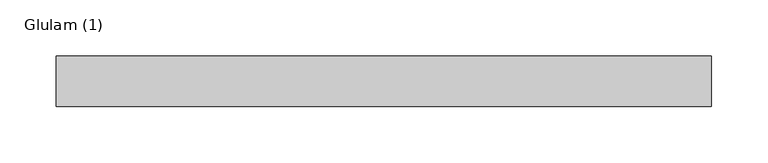
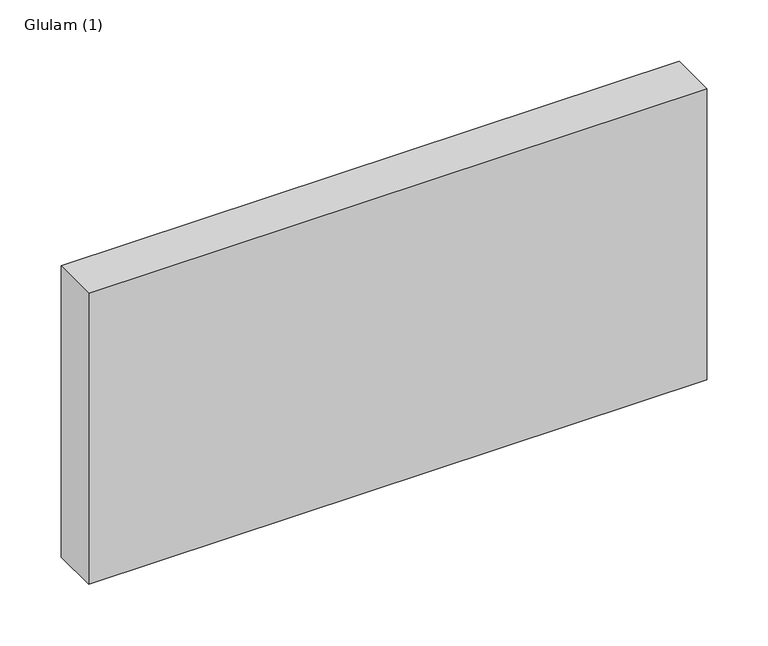
"""IFC4 building model written with IfcOpenShell, lengths in millimetres: beam geometry, Glulam (1)."""

from ifc_helpers import new_model, si_unit, frame, origin, place, context, project, spatial, polyline, outline, extrude, source, transform, mapped, element, save


def glulam_1_2942b0d9(model_context):
    return source(origin(), model_context, "Body", "SweptSolid", [
        extrude(outline(polyline([(291.0, 22.5), (291.0, -22.5), (-291.0, -22.5), (-291.0, 22.5), (291.0, 22.5)])), frame((0.0, 0.0, -145.0), z_axis=(0.0, 0.0, 1.0), x_axis=(1.0, 0.0, 0.0)), (0.0, 0.0, 1.0), 290.0),
    ])


if __name__ == "__main__":
    model = new_model("IFC4")
    model_context = context("Model", 3, world=origin())
    ifc_project = project(units=[si_unit("LENGTHUNIT", "METRE", prefix="MILLI")], contexts=[model_context])
    site = spatial("IfcSite", under=ifc_project)
    building = spatial("IfcBuilding", under=site)
    placement = place(None, origin())
    glulam_1_shape = glulam_1_2942b0d9(model_context)
    element("IfcBeam", 1, ObjectType="Glulam (1)", at=placement, inside=building, context=model_context, shape_type="MappedRepresentation", body=[
        mapped(glulam_1_shape, transform((0.0, 0.0, 0.0), x_axis=(1.0, 0.0, 0.0), y_axis=(0.0, 1.0, 0.0), z_axis=(0.0, 0.0, 1.0))),
    ])
    save(model, "model.ifc")
